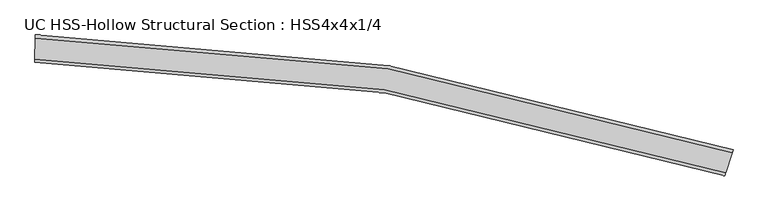
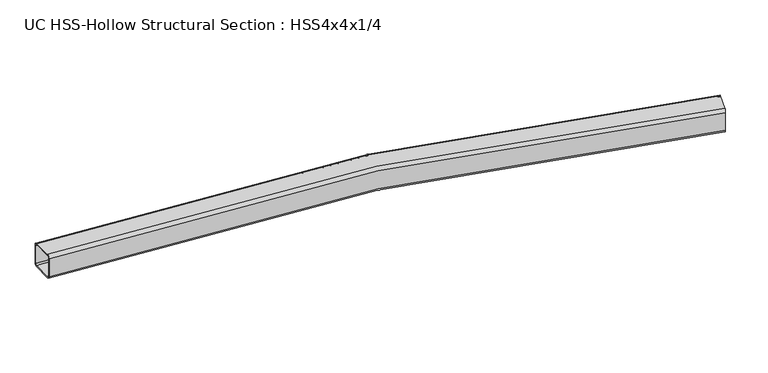
"""IFC4 building model written with IfcOpenShell, lengths in millimetres: beam geometry, UC HSS-Hollow Structural Section : HSS4x4x1/4."""

from ifc_helpers import new_model, si_unit, point, frame, origin, place, context, project, spatial, polyline, circle_curve, ellipse_curve, trimmed, source, transform, mapped, element, save
from ifc_brep_helpers import plane_surface, cylinder_surface, revolved_surface, advanced_brep


def uc_hss_hollow_structural_section_hss4x4x1_4_c9da0273(model_context):
    return source(origin(), model_context, "Body", "AdvancedBrep", [
        advanced_brep(
        [(2681.549469, -376.1868818, 38.9636), (2677.8732257, -387.4379085, 50.8), (2653.6699758, -461.511191, 50.8), (2649.9937325, -472.7622176, 38.9636), (2649.9937325, -472.7622176, -38.9636), (2653.6699758, -461.511191, -50.8), (2677.8732257, -387.4379085, -50.8), (2681.549469, -376.1868818, -38.9636), (2653.6699758, -461.511191, 44.8818), (2677.8732257, -387.4379085, 44.8818), (2679.7113474, -381.8123951, 38.9636), (2679.7113474, -381.8123951, -38.9636), (2677.8732257, -387.4379085, -44.8818), (2653.6699758, -461.511191, -44.8818), (2651.8318541, -467.1367043, -38.9636), (2651.8318541, -467.1367043, 38.9636), (93.011148, 50.2989842, 38.9636), (93.011148, 50.2989842, -38.9636), (92.8836353, 38.4632711, -50.8), (92.0441311, -39.4594068, -50.8), (91.9166184, -51.29512, -38.9636), (91.9166184, -51.29512, 38.9636), (92.0441311, -39.4594068, 50.8), (92.8836353, 38.4632711, 50.8), (92.0441311, -39.4594068, 44.8818), (91.9803747, -45.3772634, 38.9636), (91.9803747, -45.3772634, -38.9636), (92.0441311, -39.4594068, -44.8818), (92.8836353, 38.4632711, -44.8818), (92.9473917, 44.3811276, -38.9636), (92.9473917, 44.3811276, 38.9636), (92.8836353, 38.4632711, 44.8818)],
        [
            (0, 1, circle_curve(frame((2677.8732257, -387.4379085, 38.9636), z_axis=(0.9505446438749023, -0.3105879585572099, 0.0), x_axis=(-0.3105879585572099, -0.9505446438749023, 0.0)), 11.8364)),
            (1, 2),
            (2, 3, circle_curve(frame((2653.6699758, -461.511191, 38.9636), z_axis=(0.9505446438749023, -0.3105879585572099, 0.0), x_axis=(-0.3105879585572099, -0.9505446438749023, 0.0)), 11.8364)),
            (3, 4),
            (4, 5, circle_curve(frame((2653.6699758, -461.511191, -38.9636), z_axis=(0.9505446438749023, -0.3105879585572099, 0.0), x_axis=(-0.3105879585572099, -0.9505446438749023, 0.0)), 11.8364)),
            (5, 6),
            (6, 7, circle_curve(frame((2677.8732257, -387.4379085, -38.9636), z_axis=(0.9505446438749023, -0.3105879585572099, 0.0), x_axis=(-0.3105879585572099, -0.9505446438749023, 0.0)), 11.8364)),
            (7, 0),
            (8, 9),
            (9, 10, circle_curve(frame((2677.8732257, -387.4379085, 38.9636), z_axis=(-0.9505446438749023, 0.3105879585572099, 0.0), x_axis=(-0.3105879585572099, -0.9505446438749023, 0.0)), 5.9182)),
            (10, 11),
            (11, 12, circle_curve(frame((2677.8732257, -387.4379085, -38.9636), z_axis=(-0.9505446438749023, 0.3105879585572099, 0.0), x_axis=(-0.3105879585572099, -0.9505446438749023, 0.0)), 5.9182)),
            (12, 13),
            (13, 14, circle_curve(frame((2653.6699758, -461.511191, -38.9636), z_axis=(-0.9505446438749023, 0.3105879585572099, 0.0), x_axis=(-0.3105879585572099, -0.9505446438749023, 0.0)), 5.9182)),
            (14, 15),
            (15, 8, circle_curve(frame((2653.6699758, -461.511191, 38.9636), z_axis=(-0.9505446438749023, 0.3105879585572099, 0.0), x_axis=(-0.3105879585572099, -0.9505446438749023, 0.0)), 5.9182)),
            (16, 17),
            (17, 18, circle_curve(frame((92.8836353, 38.4632711, -38.9636), z_axis=(-0.999941970314481, 0.010772929202113257, 0.0), x_axis=(-0.010772929202113257, -0.999941970314481, 0.0)), 11.8364)),
            (18, 19),
            (19, 20, circle_curve(frame((92.0441311, -39.4594068, -38.9636), z_axis=(-0.999941970314481, 0.010772929202113257, 0.0), x_axis=(-0.010772929202113257, -0.999941970314481, 0.0)), 11.8364)),
            (20, 21),
            (21, 22, circle_curve(frame((92.0441311, -39.4594068, 38.9636), z_axis=(-0.999941970314481, 0.010772929202113257, 0.0), x_axis=(-0.010772929202113257, -0.999941970314481, 0.0)), 11.8364)),
            (22, 23),
            (23, 16, circle_curve(frame((92.8836353, 38.4632711, 38.9636), z_axis=(-0.999941970314481, 0.010772929202113257, 0.0), x_axis=(-0.010772929202113257, -0.999941970314481, 0.0)), 11.8364)),
            (24, 25, circle_curve(frame((92.0441311, -39.4594068, 38.9636), z_axis=(0.999941970314481, -0.010772929202113257, 0.0), x_axis=(-0.010772929202113257, -0.999941970314481, 0.0)), 5.9182)),
            (25, 26),
            (26, 27, circle_curve(frame((92.0441311, -39.4594068, -38.9636), z_axis=(0.999941970314481, -0.010772929202113257, 0.0), x_axis=(-0.010772929202113257, -0.999941970314481, 0.0)), 5.9182)),
            (27, 28),
            (28, 29, circle_curve(frame((92.8836353, 38.4632711, -38.9636), z_axis=(0.999941970314481, -0.010772929202113257, 0.0), x_axis=(-0.010772929202113257, -0.999941970314481, 0.0)), 5.9182)),
            (29, 30),
            (30, 31, circle_curve(frame((92.8836353, 38.4632711, 38.9636), z_axis=(0.999941970314481, -0.010772929202113257, 0.0), x_axis=(-0.010772929202113257, -0.999941970314481, 0.0)), 5.9182)),
            (31, 24),
            (0, 16, circle_curve(frame((0.0, -8582.9843924, 38.9636), z_axis=(0.0, 0.0, 1.0), x_axis=(-0.9002825466329825, -0.43530602594959755, 0.0)), 8633.7843924)),
            (23, 1, circle_curve(frame((0.0, -8582.9843924, 50.8), z_axis=(0.0, 0.0, -1.0), x_axis=(-0.9002825466329825, -0.43530602594959755, 0.0)), 8621.9479924)),
            (22, 2, circle_curve(frame((0.0, -8582.9843924, 50.8), z_axis=(0.0, 0.0, -1.0), x_axis=(-0.9002825466329825, -0.43530602594959755, 0.0)), 8544.0207924)),
            (21, 3, circle_curve(frame((0.0, -8582.9843924, 38.9636), z_axis=(0.0, 0.0, -1.0), x_axis=(-0.9002825466329825, -0.43530602594959755, 0.0)), 8532.1843924)),
            (20, 4, circle_curve(frame((0.0, -8582.9843924, -38.9636), z_axis=(0.0, 0.0, -1.0), x_axis=(-0.9002825466329825, -0.43530602594959755, 0.0)), 8532.1843924)),
            (19, 5, circle_curve(frame((0.0, -8582.9843924, -50.8), z_axis=(0.0, 0.0, -1.0), x_axis=(-0.9002825466329825, -0.43530602594959755, 0.0)), 8544.0207924)),
            (18, 6, circle_curve(frame((0.0, -8582.9843924, -50.8), z_axis=(0.0, 0.0, -1.0), x_axis=(-0.9002825466329825, -0.43530602594959755, 0.0)), 8621.9479924)),
            (17, 7, circle_curve(frame((0.0, -8582.9843924, -38.9636), z_axis=(0.0, 0.0, -1.0), x_axis=(-0.9002825466329825, -0.43530602594959755, 0.0)), 8633.7843924)),
            (8, 24, circle_curve(frame((0.0, -8582.9843924, 44.8818), z_axis=(0.0, 0.0, 1.0), x_axis=(-0.9002825466329825, -0.43530602594959755, 0.0)), 8544.0207924)),
            (31, 9, circle_curve(frame((0.0, -8582.9843924, 44.8818), z_axis=(0.0, 0.0, -1.0), x_axis=(-0.9002825466329825, -0.43530602594959755, 0.0)), 8621.9479924)),
            (30, 10, circle_curve(frame((0.0, -8582.9843924, 38.9636), z_axis=(0.0, 0.0, -1.0), x_axis=(-0.9002825466329825, -0.43530602594959755, 0.0)), 8627.8661924)),
            (29, 11, circle_curve(frame((0.0, -8582.9843924, -38.9636), z_axis=(0.0, 0.0, -1.0), x_axis=(-0.9002825466329825, -0.43530602594959755, 0.0)), 8627.8661924)),
            (28, 12, circle_curve(frame((0.0, -8582.9843924, -44.8818), z_axis=(0.0, 0.0, -1.0), x_axis=(-0.9002825466329825, -0.43530602594959755, 0.0)), 8621.9479924)),
            (27, 13, circle_curve(frame((0.0, -8582.9843924, -44.8818), z_axis=(0.0, 0.0, -1.0), x_axis=(-0.9002825466329825, -0.43530602594959755, 0.0)), 8544.0207924)),
            (26, 14, circle_curve(frame((0.0, -8582.9843924, -38.9636), z_axis=(0.0, 0.0, -1.0), x_axis=(-0.9002825466329825, -0.43530602594959755, 0.0)), 8538.1025924)),
            (25, 15, circle_curve(frame((0.0, -8582.9843924, 38.9636), z_axis=(0.0, 0.0, -1.0), x_axis=(-0.9002825466329825, -0.43530602594959755, 0.0)), 8538.1025924)),
        ],
        [
            plane_surface(frame((2665.7716008, -424.4745497, 0.0), z_axis=(0.9505446438749003, -0.310587958557216, 0.0), x_axis=(0.0, 0.0, 1.0))),
            plane_surface(frame((92.4638832, -0.4980679, 0.0), z_axis=(-0.9999419703144808, 0.010772929202119752, 0.0), x_axis=(0.0, 0.0, 1.0))),
            revolved_surface(trimmed(ellipse_curve(frame((-7762.1892955, -12336.1703089, 38.9636), z_axis=(0.43530602594960294, -0.9002825466329798, 0.0), x_axis=(0.9002825466329798, 0.43530602594960294, 0.0)), 11.8364, 11.8364), [point((-7762.1892955, -12336.1703089, 50.8))], [point((-7772.8453998, -12341.3227651, 38.9636))], True, "CARTESIAN"), (0.0, -8582.9843924, 0.0), (0.0, 0.0, -1.0)),
            plane_surface(frame((0.0, -8582.9843924, 50.8), z_axis=(0.0, 0.0, 1.0), x_axis=(-0.9002825466329825, -0.43530602594959755, 0.0))),
            revolved_surface(trimmed(ellipse_curve(frame((-7692.0327974, -12302.2481291, 38.9636), z_axis=(0.43530602594960294, -0.9002825466329798, 0.0), x_axis=(0.9002825466329798, 0.43530602594960294, 0.0)), 11.8364, 11.8364), [point((-7681.3766931, -12297.0956729, 38.9636))], [point((-7692.0327974, -12302.2481291, 50.8))], True, "CARTESIAN"), (0.0, -8582.9843924, 0.0), (0.0, 0.0, -1.0)),
            revolved_surface(polyline([(-7681.376693132059, -12297.095672924825, -38.9636), (-7681.376693132059, -12297.095672924825, 38.9636)]), (0.0, -8582.9843924, 0.0), (0.0, 0.0, -1.0)),
            revolved_surface(trimmed(ellipse_curve(frame((-7692.0327974, -12302.2481291, -38.9636), z_axis=(0.43530602594960294, -0.9002825466329798, 0.0), x_axis=(0.9002825466329798, 0.43530602594960294, 0.0)), 11.8364, 11.8364), [point((-7692.0327974, -12302.2481291, -50.8))], [point((-7681.3766931, -12297.0956729, -38.9636))], True, "CARTESIAN"), (0.0, -8582.9843924, 0.0), (0.0, 0.0, -1.0)),
            plane_surface(frame((0.0, -8582.9843924, -50.8), z_axis=(0.0, 0.0, -1.0), x_axis=(-0.9002825466329825, -0.43530602594959755, 0.0))),
            revolved_surface(trimmed(ellipse_curve(frame((-7762.1892955, -12336.1703089, -38.9636), z_axis=(0.43530602594960294, -0.9002825466329798, 0.0), x_axis=(0.9002825466329798, 0.43530602594960294, 0.0)), 11.8364, 11.8364), [point((-7772.8453998, -12341.3227651, -38.9636))], [point((-7762.1892955, -12336.1703089, -50.8))], True, "CARTESIAN"), (0.0, -8582.9843924, 0.0), (0.0, 0.0, -1.0)),
            cylinder_surface(frame((0.0, -8582.9843924, 0.0), z_axis=(0.0, 0.0, -1.0), x_axis=(-0.9002825466329825, -0.43530602594959755, 0.0)), 8633.7843924),
            plane_surface(frame((0.0, -8582.9843924, 44.8818), z_axis=(0.0, 0.0, -1.0), x_axis=(-0.9002825466329825, -0.43530602594959755, 0.0))),
            revolved_surface(trimmed(ellipse_curve(frame((-7762.1892955, -12336.1703089, 38.9636), z_axis=(-0.43530602594960294, 0.9002825466329798, 0.0), x_axis=(0.9002825466329798, 0.43530602594960294, 0.0)), 5.9182, 5.9182), [point((-7767.5173477, -12338.746537, 38.9636))], [point((-7762.1892955, -12336.1703089, 44.8818))], True, "CARTESIAN"), (0.0, -8582.9843924, 0.0), (0.0, 0.0, -1.0)),
            revolved_surface(polyline([(-7767.517347702486, -12338.746537038529, -38.9636), (-7767.517347702486, -12338.746537038529, 38.9636)]), (0.0, -8582.9843924, 0.0), (0.0, 0.0, -1.0)),
            revolved_surface(trimmed(ellipse_curve(frame((-7762.1892955, -12336.1703089, -38.9636), z_axis=(-0.43530602594960294, 0.9002825466329798, 0.0), x_axis=(0.9002825466329798, 0.43530602594960294, 0.0)), 5.9182, 5.9182), [point((-7762.1892955, -12336.1703089, -44.8818))], [point((-7767.5173477, -12338.746537, -38.9636))], True, "CARTESIAN"), (0.0, -8582.9843924, 0.0), (0.0, 0.0, -1.0)),
            plane_surface(frame((0.0, -8582.9843924, -44.8818), z_axis=(0.0, 0.0, 1.0), x_axis=(-0.9002825466329825, -0.43530602594959755, 0.0))),
            revolved_surface(trimmed(ellipse_curve(frame((-7692.0327974, -12302.2481291, -38.9636), z_axis=(-0.43530602594960294, 0.9002825466329798, 0.0), x_axis=(0.9002825466329798, 0.43530602594960294, 0.0)), 5.9182, 5.9182), [point((-7686.7047453, -12299.671901, -38.9636))], [point((-7692.0327974, -12302.2481291, -44.8818))], True, "CARTESIAN"), (0.0, -8582.9843924, 0.0), (0.0, 0.0, -1.0)),
            cylinder_surface(frame((0.0, -8582.9843924, 0.0), z_axis=(0.0, 0.0, -1.0), x_axis=(-0.9002825466329825, -0.43530602594959755, 0.0)), 8538.1025924),
            revolved_surface(trimmed(ellipse_curve(frame((-7692.0327974, -12302.2481291, 38.9636), z_axis=(-0.43530602594960294, 0.9002825466329798, 0.0), x_axis=(0.9002825466329798, 0.43530602594960294, 0.0)), 5.9182, 5.9182), [point((-7692.0327974, -12302.2481291, 44.8818))], [point((-7686.7047453, -12299.671901, 38.9636))], True, "CARTESIAN"), (0.0, -8582.9843924, 0.0), (0.0, 0.0, -1.0)),
        ],
        [
            (0, [[1, 2, 3, 4, 5, 6, 7, 8], [9, 10, 11, 12, 13, 14, 15, 16]]),
            (1, [[17, 18, 19, 20, 21, 22, 23, 24], [25, 26, 27, 28, 29, 30, 31, 32]]),
            (2, [[-1, 33, -24, 34]]),
            (3, [[-2, -34, -23, 35]]),
            (4, [[-3, -35, -22, 36]]),
            (5, [[-4, -36, -21, 37]]),
            (6, [[-5, -37, -20, 38]]),
            (7, [[-6, -38, -19, 39]]),
            (8, [[-7, -39, -18, 40]]),
            (9, [[-8, -40, -17, -33]]),
            (10, [[-9, 41, -32, 42]]),
            (11, [[-10, -42, -31, 43]]),
            (12, [[-11, -43, -30, 44]]),
            (13, [[-12, -44, -29, 45]]),
            (14, [[-13, -45, -28, 46]]),
            (15, [[-14, -46, -27, 47]]),
            (16, [[-15, -47, -26, 48]]),
            (17, [[-16, -48, -25, -41]]),
        ],
    ),
    ])


if __name__ == "__main__":
    model = new_model("IFC4")
    model_context = context("Model", 3, world=origin())
    ifc_project = project(units=[si_unit("LENGTHUNIT", "METRE", prefix="MILLI")], contexts=[model_context])
    site = spatial("IfcSite", under=ifc_project)
    building = spatial("IfcBuilding", under=site)
    placement = place(None, origin())
    uc_hss_hollow_structural_section_hss4x4x1_4_shape = uc_hss_hollow_structural_section_hss4x4x1_4_c9da0273(model_context)
    element("IfcBeam", 1, ObjectType="UC HSS-Hollow Structural Section : HSS4x4x1/4", at=placement, inside=building, context=model_context, shape_type="MappedRepresentation", body=[
        mapped(uc_hss_hollow_structural_section_hss4x4x1_4_shape, transform((0.0, 0.0, 0.0), x_axis=(1.0, 0.0, 0.0), y_axis=(0.0, 1.0, 0.0), z_axis=(0.0, 0.0, 1.0))),
    ])
    save(model, "model.ifc")
